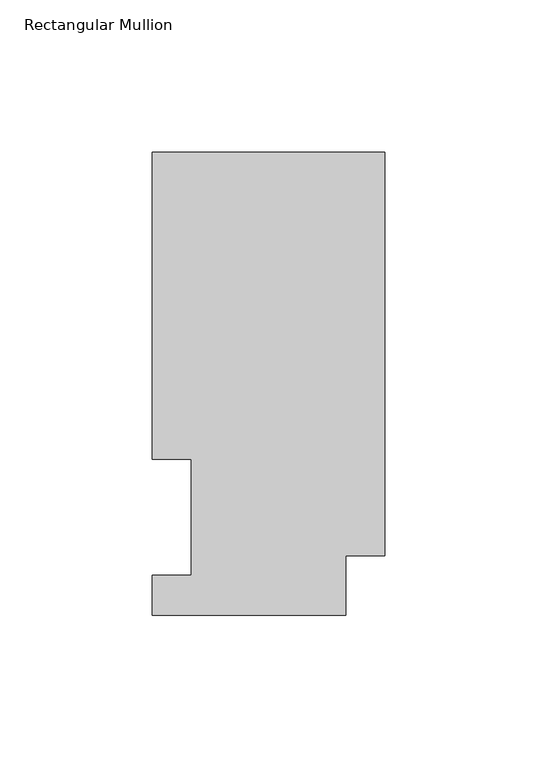
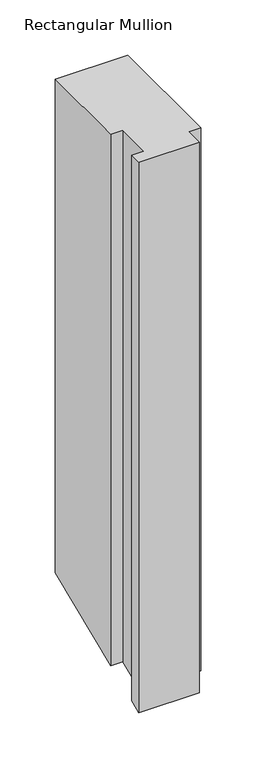
"""IFC4 building model written with IfcOpenShell, lengths in millimetres: member geometry, Rectangular Mullion."""

from ifc_helpers import new_model, si_unit, origin, place, context, project, spatial, faceted_brep, source, transform, mapped, element, save


def rectangular_mullion_caff6338(model_context):
    return source(origin(), model_context, "Body", "Brep", [
        faceted_brep([(0.0, 151.8147517, 0.0), (-76.2, 151.8147517, 0.0), (-76.2, 51.2053517, 0.0), (-63.5127, 51.2053517, 0.0), (-63.5127, 13.1053517, 0.0), (-76.2, 13.1053517, 0.0), (-76.2, -0.0772483, 0.0), (-12.7, -0.0772483, 0.0), (-12.7, 19.4553517, 0.0), (0.0, 19.4553517, 0.0), (0.0, 151.8147517, -546.7036039), (-76.2, 151.8147517, -546.7036039), (-76.2, 51.2053517, -588.3773819), (-63.5127, 51.2053517, -588.3773819), (-63.5127, 13.1053517, -604.1589186), (-76.2, 13.1053517, -604.1589186), (-76.2, -0.0772483, -609.6193303), (-12.7, -0.0772483, -609.6193303), (-12.7, 19.4553517, -601.5286625), (0.0, 19.4553517, -601.5286625)], [[[0, 1, 2, 3, 4, 5, 6, 7, 8, 9]], [[1, 0, 10, 11]], [[2, 1, 11, 12]], [[3, 2, 12, 13]], [[4, 3, 13, 14]], [[5, 4, 14, 15]], [[6, 5, 15, 16]], [[7, 6, 16, 17]], [[8, 7, 17, 18]], [[9, 8, 18, 19]], [[0, 9, 19, 10]], [[10, 19, 18, 17, 16, 15, 14, 13, 12, 11]]]),
    ])


if __name__ == "__main__":
    model = new_model("IFC4")
    model_context = context("Model", 3, world=origin())
    ifc_project = project(units=[si_unit("LENGTHUNIT", "METRE", prefix="MILLI")], contexts=[model_context])
    site = spatial("IfcSite", under=ifc_project)
    building = spatial("IfcBuilding", under=site)
    placement = place(None, origin())
    rectangular_mullion_shape = rectangular_mullion_caff6338(model_context)
    element("IfcMember", 1, ObjectType="Rectangular Mullion", at=placement, inside=building, context=model_context, shape_type="MappedRepresentation", body=[
        mapped(rectangular_mullion_shape, transform((0.0, 0.0, 0.0), x_axis=(1.0, 0.0, 0.0), y_axis=(0.0, 1.0, 0.0), z_axis=(0.0, 0.0, 1.0))),
    ])
    save(model, "model.ifc")
